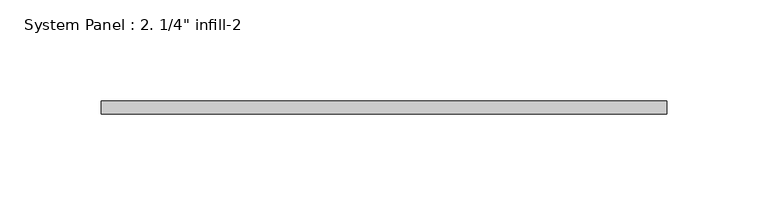
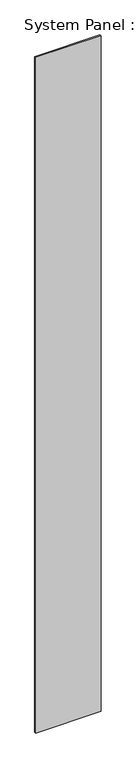
"""IFC4 building model written with IfcOpenShell, lengths in millimetres: plate geometry."""

from ifc_helpers import new_model, si_unit, origin, origin_with_axes, place, context, project, spatial, polyline, outline, extrude, source, transform, mapped, element, save


def plate_caeaf565(model_context):
    return source(origin(), model_context, "Body", "SweptSolid", [
        extrude(outline(polyline([(139.7, 0.0), (-139.7, 0.0), (-139.7, 6.35), (139.7, 6.35), (139.7, 0.0)])), origin_with_axes(), (0.0, 0.0, 1.0), 3048.0),
    ])


if __name__ == "__main__":
    model = new_model("IFC4")
    model_context = context("Model", 3, world=origin())
    ifc_project = project(units=[si_unit("LENGTHUNIT", "METRE", prefix="MILLI")], contexts=[model_context])
    site = spatial("IfcSite", under=ifc_project)
    building = spatial("IfcBuilding", under=site)
    placement = place(None, origin())
    plate_shape = plate_caeaf565(model_context)
    element("IfcPlate", 1, ObjectType="System Panel : 2. 1/4\" infill-2", at=placement, inside=building, context=model_context, shape_type="MappedRepresentation", body=[
        mapped(plate_shape, transform((0.0, 0.0, 0.0), x_axis=(1.0, 0.0, 0.0), y_axis=(0.0, 1.0, 0.0), z_axis=(0.0, 0.0, 1.0))),
    ])
    save(model, "model.ifc")
